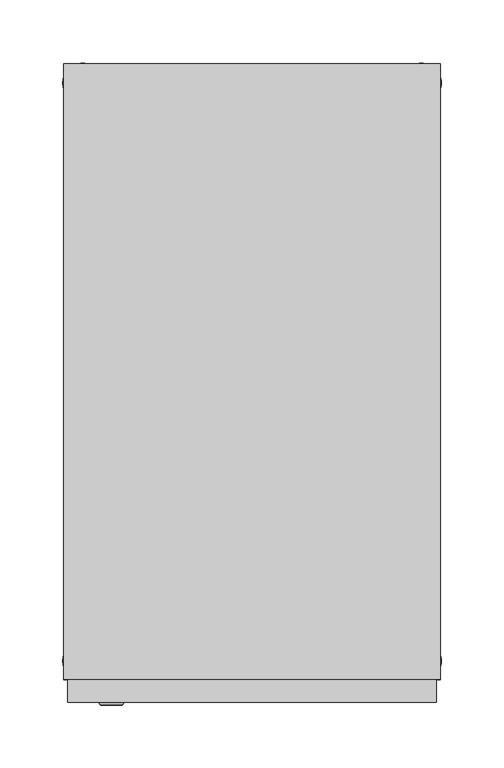
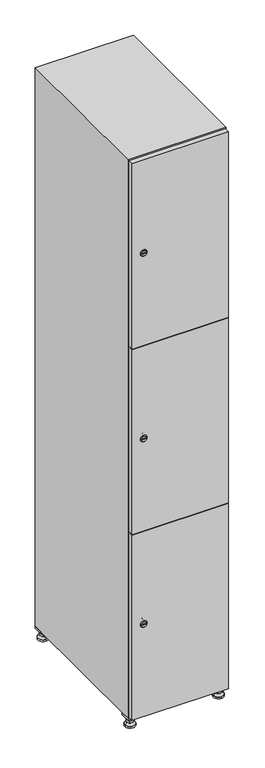
"""IFC4 building model written with IfcOpenShell, lengths in millimetres: furniture geometry."""

import ifcopenshell
import ifcopenshell.guid

model = None  # the IFC model being written
_history = None  # IfcOwnerHistory: only IFC2X3 demands one
_inside = {}  # id of a spatial element -> (the spatial element, [elements in it])
_under = {}  # id of a project, library or spatial element -> (it, [spatial elements below it])
_declared = {}  # id of a project -> (the project, [libraries it declares])
_typed = {}  # id of a type object -> (the type object, [elements of that type])
_made_of = {}  # id of a material, layer set ... -> (it, [elements and type objects made of it])


def new_model(schema):
    """Start an empty IFC model of exactly this schema.

    Asked for "IFC4X3", IfcOpenShell would pick the latest addendum, in which some entities
    have other attributes; the version numbers below select the first issue.
    IFC2X3 requires an IfcOwnerHistory on every rooted entity: one is made here for all.
    """
    global model, _history
    if schema == "IFC4X3":
        model = ifcopenshell.file(schema_version=(4, 3, 0, 0))
    else:
        model = ifcopenshell.file(schema=schema)
    _inside.clear()
    _under.clear()
    _declared.clear()
    _typed.clear()
    _made_of.clear()
    _history = None
    if model.schema == "IFC2X3":
        org = make("IfcOrganization", Name="unknown")
        user = make(
            "IfcPersonAndOrganization",
            ThePerson=make("IfcPerson", FamilyName="unknown"),
            TheOrganization=org,
        )
        app = make(
            "IfcApplication",
            ApplicationDeveloper=org,
            Version="unknown",
            ApplicationFullName="unknown",
            ApplicationIdentifier="unknown",
        )
        _history = make(
            "IfcOwnerHistory",
            OwningUser=user,
            OwningApplication=app,
            ChangeAction="ADDED",
            CreationDate=0,
        )
    return model


def make(cls, **values):
    """One entity of the class cls with the attributes given. An attribute that is None is left unset."""
    return model.create_entity(
        cls, **{name: value for name, value in values.items() if value is not None}
    )


def rooted(cls, **values):
    """An entity with a GlobalId (a new one), such as an element, a storey or a relation."""
    return make(cls, GlobalId=ifcopenshell.guid.new(), OwnerHistory=_history, **values)


def si_unit(unit_type, name, prefix=None):
    """IfcSIUnit, for example si_unit("LENGTHUNIT", "METRE", prefix="MILLI")."""
    return make("IfcSIUnit", UnitType=unit_type, Prefix=prefix, Name=name)


def assignment(units):
    """IfcUnitAssignment: the units of a project."""
    return None if units is None else make("IfcUnitAssignment", Units=units)


def point(xyz):
    """IfcCartesianPoint."""
    return None if xyz is None else make("IfcCartesianPoint", Coordinates=xyz)


def direction(xyz):
    """IfcDirection."""
    return None if xyz is None else make("IfcDirection", DirectionRatios=xyz)


def frame(location, z_axis=None, x_axis=None):
    """IfcAxis2Placement3D, a coordinate frame: its origin and axes. An axis left out is left unset."""
    return make(
        "IfcAxis2Placement3D",
        Location=point(location),
        Axis=direction(z_axis),
        RefDirection=direction(x_axis),
    )


def frame_2d(location, x_axis=None):
    """IfcAxis2Placement2D, a coordinate frame in the plane: its origin and x axis."""
    return make(
        "IfcAxis2Placement2D", Location=point(location), RefDirection=direction(x_axis)
    )


def origin():
    """The frame at (0, 0, 0) with its axes left unset."""
    return frame((0.0, 0.0, 0.0))


def origin_with_axes():
    """The frame at (0, 0, 0) with the z axis (0, 0, 1) and the x axis (1, 0, 0) written out."""
    return frame((0.0, 0.0, 0.0), z_axis=(0.0, 0.0, 1.0), x_axis=(1.0, 0.0, 0.0))


def place(relative_to, where):
    """IfcLocalPlacement: puts the frame where relative to a parent placement (None: the world)."""
    return make(
        "IfcLocalPlacement", PlacementRelTo=relative_to, RelativePlacement=where
    )


def context(
    kind, dimensions, precision=None, world=None, true_north=None, identifier=None
):
    """IfcGeometricRepresentationContext, for example the 3D "Model" context."""
    return make(
        "IfcGeometricRepresentationContext",
        ContextIdentifier=identifier,
        ContextType=kind,
        CoordinateSpaceDimension=dimensions,
        Precision=precision,
        WorldCoordinateSystem=world,
        TrueNorth=true_north,
    )


def project(units=None, contexts=None):
    """IfcProject with its units and contexts."""
    return rooted(
        "IfcProject",
        Name="project",
        RepresentationContexts=contexts,
        UnitsInContext=assignment(units),
    )


def spatial(cls, under=None, at=None, **own):
    """A site, building, storey or space (cls), placed at a placement, below another one or the project."""
    s = rooted(cls, ObjectPlacement=at, **own)
    if under is not None:
        _under.setdefault(under.id(), (under, []))[1].append(s)
    return s


def polyline(points):
    """IfcPolyline through the points."""
    return make("IfcPolyline", Points=[point(p) for p in points])


def circle_curve(where, radius):
    """IfcCircle in the frame where."""
    return make("IfcCircle", Position=where, Radius=radius)


def trimmed(basis, trim1, trim2, sense, master):
    """IfcTrimmedCurve: the piece of a basis curve between two trims."""
    return make(
        "IfcTrimmedCurve",
        BasisCurve=basis,
        Trim1=trim1,
        Trim2=trim2,
        SenseAgreement=sense,
        MasterRepresentation=master,
    )


def segment(curve, same_sense, transition):
    """IfcCompositeCurveSegment."""
    return make(
        "IfcCompositeCurveSegment",
        Transition=transition,
        SameSense=same_sense,
        ParentCurve=curve,
    )


def composite_curve(segments, self_intersect=None):
    """IfcCompositeCurve: segments joined end to end."""
    return make("IfcCompositeCurve", Segments=segments, SelfIntersect=self_intersect)


def outline(outer, holes=None, kind="AREA"):
    """IfcArbitraryClosedProfileDef: a profile drawn as a closed curve; with holes, ...WithVoids."""
    if holes is None:
        return make("IfcArbitraryClosedProfileDef", ProfileType=kind, OuterCurve=outer)
    return make(
        "IfcArbitraryProfileDefWithVoids",
        ProfileType=kind,
        OuterCurve=outer,
        InnerCurves=holes,
    )


def extrude(swept, where, along, depth):
    """IfcExtrudedAreaSolid: the profile swept, set in the frame where, extruded along a direction by depth."""
    return make(
        "IfcExtrudedAreaSolid",
        SweptArea=swept,
        Position=where,
        ExtrudedDirection=direction(along),
        Depth=depth,
    )


def faces_of(points, faces, orient=None, outer=None):
    """IfcFace entities. A face is a list of loops; a loop is a list of indices into points, from 0.

    orient and outer hold one flag for each loop. By default every Orientation is true, the
    first loop of a face is its IfcFaceOuterBound and the others are IfcFaceBound.
    """
    made = []
    for i, loops in enumerate(faces):
        bounds = []
        for j, loop in enumerate(loops):
            is_outer = j == 0 if outer is None else outer[i][j]
            bounds.append(
                make(
                    "IfcFaceOuterBound" if is_outer else "IfcFaceBound",
                    Bound=make("IfcPolyLoop", Polygon=[points[k] for k in loop]),
                    Orientation=True if orient is None else orient[i][j],
                )
            )
        made.append(make("IfcFace", Bounds=bounds))
    return made


def faceted_brep(points, faces, orient=None, outer=None, voids=None):
    """IfcFacetedBrep: a solid bounded by flat faces; with voids (closed shells), ...WithVoids."""
    shared = [point(p) for p in points]
    hull = make("IfcClosedShell", CfsFaces=faces_of(shared, faces, orient, outer))
    if voids is None:
        return make("IfcFacetedBrep", Outer=hull)
    return make(
        "IfcFacetedBrepWithVoids",
        Outer=hull,
        Voids=[
            make(cls, CfsFaces=faces_of(shared, fs, o, b)) for cls, fs, o, b in voids
        ],
    )


def shape(context_of_items, identifier, shape_type, items):
    """IfcShapeRepresentation: the items that make up one representation, for example the "Body"."""
    return make(
        "IfcShapeRepresentation",
        ContextOfItems=context_of_items,
        RepresentationIdentifier=identifier,
        RepresentationType=shape_type,
        Items=items,
    )


def source(mapping_origin, context_of_items, identifier, shape_type, items):
    """IfcRepresentationMap: a shape defined once, which mapped items show again and again."""
    return make(
        "IfcRepresentationMap",
        MappingOrigin=mapping_origin,
        MappedRepresentation=shape(context_of_items, identifier, shape_type, items),
    )


def transform(
    local_origin,
    x_axis=None,
    y_axis=None,
    z_axis=None,
    scale=None,
    scale2=None,
    scale3=None,
    uniform=True,
):
    """IfcCartesianTransformationOperator3D, or its non-uniform kind. x_axis, y_axis, z_axis: its Axis1, 2, 3."""
    if uniform:
        return make(
            "IfcCartesianTransformationOperator3D",
            Axis1=direction(x_axis),
            Axis2=direction(y_axis),
            LocalOrigin=point(local_origin),
            Scale=scale,
            Axis3=direction(z_axis),
        )
    return make(
        "IfcCartesianTransformationOperator3DnonUniform",
        Axis1=direction(x_axis),
        Axis2=direction(y_axis),
        LocalOrigin=point(local_origin),
        Scale=scale,
        Axis3=direction(z_axis),
        Scale2=scale2,
        Scale3=scale3,
    )


def mapped(mapping_source, mapping_target):
    """IfcMappedItem: shows the shape of a source again, moved by a transform."""
    return make(
        "IfcMappedItem", MappingSource=mapping_source, MappingTarget=mapping_target
    )


def made_of(thing, what):
    """Note that an element or type object is made of a material, layer set ...; save() writes the relation."""
    if what is not None:
        _made_of.setdefault(what.id(), (what, []))[1].append(thing)
    return thing


def element(
    cls,
    number,
    at=None,
    inside=None,
    cuts=None,
    type_object=None,
    material=None,
    context=None,
    identifier="Body",
    shape_type=None,
    held_by="IfcProductDefinitionShape",
    body=None,
    shapes=None,
    **own,
):
    """One element of the class cls, such as IfcWall. Its Tag is "e" and its number.

    at: its placement. inside: the storey or other place that contains it. cuts: it is an
    opening in that element (IfcRelVoidsElement). A single representation is given by context,
    identifier, shape_type and body (its items); several are given by shapes. held_by: the class
    of the entity that holds the representations. save() writes the other relations.
    """
    e = rooted(cls, Tag="e%d" % number, ObjectPlacement=at, **own)
    if body is not None:
        shapes = [shape(context, identifier, shape_type, body)]
    if shapes is not None:
        e.Representation = make(held_by, Representations=shapes)
    if inside is not None:
        _inside.setdefault(inside.id(), (inside, []))[1].append(e)
    if cuts is not None:
        rooted(
            "IfcRelVoidsElement", RelatingBuildingElement=cuts, RelatedOpeningElement=e
        )
    if type_object is not None:
        _typed.setdefault(type_object.id(), (type_object, []))[1].append(e)
    return made_of(e, material)


def aggregate(whole, parts):
    """IfcRelAggregates: a whole, such as a stair, and the parts it consists of."""
    return rooted("IfcRelAggregates", RelatingObject=whole, RelatedObjects=parts)


def save(model, path):
    """Write the relations noted so far, then the file.

    IfcRelAggregates (storeys below a building ...), IfcRelContainedInSpatialStructure (elements
    in a storey), IfcRelDefinesByType, IfcRelAssociatesMaterial and IfcRelDeclares: one each for
    every whole, place, type object, material and project.
    """
    for whole, parts in _under.values():
        aggregate(whole, parts)
    for where, things in _inside.values():
        rooted(
            "IfcRelContainedInSpatialStructure",
            RelatedElements=things,
            RelatingStructure=where,
        )
    for kind, things in _typed.values():
        rooted("IfcRelDefinesByType", RelatedObjects=things, RelatingType=kind)
    for what, things in _made_of.values():
        rooted("IfcRelAssociatesMaterial", RelatedObjects=things, RelatingMaterial=what)
    for by, libraries in _declared.values():
        rooted("IfcRelDeclares", RelatingContext=by, RelatedDefinitions=libraries)
    model.write(path)


def plane_surface(at):
    """IfcPlane: the flat surface through the origin of the frame at, square to its z axis."""
    return make("IfcPlane", Position=at)


def revolved_surface(curve, axis_point, axis_direction):
    """IfcSurfaceOfRevolution: the curve turned about the line through axis_point along axis_direction."""
    return make(
        "IfcSurfaceOfRevolution",
        SweptCurve=make("IfcArbitraryOpenProfileDef", ProfileType="CURVE", Curve=curve),
        AxisPosition=make("IfcAxis1Placement", Location=point(axis_point), Axis=direction(axis_direction)),
    )


def advanced_brep(points, edges, surfaces, faces):
    """IfcAdvancedBrep: a solid bounded by faces that lie on surfaces and meet in shared edges.

    An edge is (start, end): straight between two places in points (the first is 0);
    or (start, end, curve); or (start, end, curve, False) where it runs against its curve.
    A face is (place in surfaces, loops), or (place, loops, False) where it looks against
    its surface's normal. A loop lists edges by number (the first is 1), with a minus sign
    where the edge is run from its end to its start. The first loop is the outer one.
    """
    corners = [point(p) for p in points]
    vertices = [make("IfcVertexPoint", VertexGeometry=c) for c in corners]
    made = []
    for start, end, *more in edges:
        made.append(
            make(
                "IfcEdgeCurve",
                EdgeStart=vertices[start],
                EdgeEnd=vertices[end],
                EdgeGeometry=more[0] if more else make("IfcPolyline", Points=[corners[start], corners[end]]),
                SameSense=more[1] if len(more) > 1 else True,
            )
        )
    hull = []
    for where, loops, *sense in faces:
        bounds = []
        for j, loop in enumerate(loops):
            ring = [make("IfcOrientedEdge", EdgeElement=made[abs(k) - 1], Orientation=k > 0) for k in loop]
            bounds.append(
                make(
                    "IfcFaceOuterBound" if j == 0 else "IfcFaceBound",
                    Bound=make("IfcEdgeLoop", EdgeList=ring),
                    Orientation=True,
                )
            )
        hull.append(make("IfcAdvancedFace", Bounds=bounds, FaceSurface=surfaces[where], SameSense=sense[0] if sense else True))
    return make("IfcAdvancedBrep", Outer=make("IfcClosedShell", CfsFaces=hull))


def furniture_ab29d9bd(model_context):
    return source(origin(), model_context, "Body", "SolidModel", [
        extrude(outline(polyline([(100.0, 245.0), (100.0, 215.0), (70.0, 215.0), (70.0, 245.0), (100.0, 245.0)]), holes=[polyline([(98.0, 243.0), (72.0, 243.0), (72.0, 217.0), (98.0, 217.0), (98.0, 243.0)])]), frame((0.0, 0.0, 28.5), z_axis=(0.0, 0.0, 1.0), x_axis=(1.0, 0.0, 0.0)), (0.0, 0.0, 1.0), 6.5),
        extrude(outline(polyline([(70.0, -245.0), (70.0, -215.0), (100.0, -215.0), (100.0, -245.0), (70.0, -245.0)]), holes=[polyline([(72.0, -243.0), (98.0, -243.0), (98.0, -217.0), (72.0, -217.0), (72.0, -243.0)])]), frame((0.0, 0.0, 28.5), z_axis=(0.0, 0.0, 1.0), x_axis=(1.0, 0.0, 0.0)), (0.0, 0.0, 1.0), 6.5),
        extrude(outline(polyline([(-170.0, 245.0), (-170.0, 215.0), (-200.0, 215.0), (-200.0, 245.0), (-170.0, 245.0)]), holes=[polyline([(-172.0, 243.0), (-198.0, 243.0), (-198.0, 217.0), (-172.0, 217.0), (-172.0, 243.0)])]), frame((0.0, 0.0, 28.5), z_axis=(0.0, 0.0, 1.0), x_axis=(1.0, 0.0, 0.0)), (0.0, 0.0, 1.0), 6.5),
        extrude(outline(polyline([(-170.0, -215.0), (-170.0, -245.0), (-200.0, -245.0), (-200.0, -215.0), (-170.0, -215.0)]), holes=[polyline([(-198.0, -243.0), (-172.0, -243.0), (-172.0, -217.0), (-198.0, -217.0), (-198.0, -243.0)])]), frame((0.0, 0.0, 28.5), z_axis=(0.0, 0.0, 1.0), x_axis=(1.0, 0.0, 0.0)), (0.0, 0.0, 1.0), 6.5),
        extrude(outline(composite_curve([segment(trimmed(circle_curve(frame_2d((-185.0, 230.0)), 5.0), [point((-180.0, 230.0))], [point((-190.0, 230.0))], False, "CARTESIAN"), True, "CONTINUOUS"), segment(trimmed(circle_curve(frame_2d((-185.0, 230.0)), 5.0), [point((-190.0, 230.0))], [point((-180.0, 230.0))], False, "CARTESIAN"), True, "CONTINUOUS")], self_intersect=False)), frame((0.0, 0.0, 19.6), z_axis=(0.0, 0.0, 1.0), x_axis=(1.0, 0.0, 0.0)), (0.0, 0.0, 1.0), 15.4),
        extrude(outline(composite_curve([segment(trimmed(circle_curve(frame_2d((-185.0, -230.0)), 5.0), [point((-180.0, -230.0))], [point((-190.0, -230.0))], False, "CARTESIAN"), True, "CONTINUOUS"), segment(trimmed(circle_curve(frame_2d((-185.0, -230.0)), 5.0), [point((-190.0, -230.0))], [point((-180.0, -230.0))], False, "CARTESIAN"), True, "CONTINUOUS")], self_intersect=False)), frame((0.0, 0.0, 19.6), z_axis=(0.0, 0.0, 1.0), x_axis=(1.0, 0.0, 0.0)), (0.0, 0.0, 1.0), 15.4),
        extrude(outline(composite_curve([segment(trimmed(circle_curve(frame_2d((85.0, 230.0)), 5.0), [point((90.0, 230.0))], [point((80.0, 230.0))], False, "CARTESIAN"), True, "CONTINUOUS"), segment(trimmed(circle_curve(frame_2d((85.0, 230.0)), 5.0), [point((80.0, 230.0))], [point((90.0, 230.0))], False, "CARTESIAN"), True, "CONTINUOUS")], self_intersect=False)), frame((0.0, 0.0, 19.6), z_axis=(0.0, 0.0, 1.0), x_axis=(1.0, 0.0, 0.0)), (0.0, 0.0, 1.0), 15.4),
        extrude(outline(polyline([(73.4529946, 230.0), (79.2264973, 240.0), (90.7735027, 240.0), (96.5470054, 230.0), (90.7735027, 220.0), (79.2264973, 220.0), (73.4529946, 230.0)])), frame((0.0, 0.0, 13.6), z_axis=(0.0, 0.0, 1.0), x_axis=(1.0, 0.0, 0.0)), (0.0, 0.0, 1.0), 6.0),
        extrude(outline(composite_curve([segment(trimmed(circle_curve(frame_2d((85.0, -230.0)), 5.0), [point((90.0, -230.0))], [point((80.0, -230.0))], False, "CARTESIAN"), True, "CONTINUOUS"), segment(trimmed(circle_curve(frame_2d((85.0, -230.0)), 5.0), [point((80.0, -230.0))], [point((90.0, -230.0))], False, "CARTESIAN"), True, "CONTINUOUS")], self_intersect=False)), frame((0.0, 0.0, 19.6), z_axis=(0.0, 0.0, 1.0), x_axis=(1.0, 0.0, 0.0)), (0.0, 0.0, 1.0), 15.4),
        extrude(outline(polyline([(73.4529946, -230.0), (79.2264973, -220.0), (90.7735027, -220.0), (96.5470054, -230.0), (90.7735027, -240.0), (79.2264973, -240.0), (73.4529946, -230.0)])), frame((0.0, 0.0, 13.6), z_axis=(0.0, 0.0, 1.0), x_axis=(1.0, 0.0, 0.0)), (0.0, 0.0, 1.0), 6.0),
        extrude(outline(composite_curve([segment(trimmed(circle_curve(frame_2d((85.0, 230.0)), 5.0), [point((90.0, 230.0))], [point((80.0, 230.0))], False, "CARTESIAN"), True, "CONTINUOUS"), segment(trimmed(circle_curve(frame_2d((85.0, 230.0)), 5.0), [point((80.0, 230.0))], [point((90.0, 230.0))], False, "CARTESIAN"), True, "CONTINUOUS")], self_intersect=False)), frame((0.0, 0.0, 12.1), z_axis=(0.0, 0.0, 1.0), x_axis=(1.0, 0.0, 0.0)), (0.0, 0.0, 1.0), 1.5),
        extrude(outline(composite_curve([segment(trimmed(circle_curve(frame_2d((85.0, -230.0)), 5.0), [point((90.0, -230.0))], [point((80.0, -230.0))], False, "CARTESIAN"), True, "CONTINUOUS"), segment(trimmed(circle_curve(frame_2d((85.0, -230.0)), 5.0), [point((80.0, -230.0))], [point((90.0, -230.0))], False, "CARTESIAN"), True, "CONTINUOUS")], self_intersect=False)), frame((0.0, 0.0, 12.1), z_axis=(0.0, 0.0, 1.0), x_axis=(1.0, 0.0, 0.0)), (0.0, 0.0, 1.0), 1.5),
        extrude(outline(polyline([(-196.5470054, 230.0), (-190.7735027, 240.0), (-179.2264973, 240.0), (-173.4529946, 230.0), (-179.2264973, 220.0), (-190.7735027, 220.0), (-196.5470054, 230.0)])), frame((0.0, 0.0, 13.6), z_axis=(0.0, 0.0, 1.0), x_axis=(1.0, 0.0, 0.0)), (0.0, 0.0, 1.0), 6.0),
        extrude(outline(polyline([(-196.5470054, -230.0), (-190.7735027, -220.0), (-179.2264973, -220.0), (-173.4529946, -230.0), (-179.2264973, -240.0), (-190.7735027, -240.0), (-196.5470054, -230.0)])), frame((0.0, 0.0, 13.6), z_axis=(0.0, 0.0, 1.0), x_axis=(1.0, 0.0, 0.0)), (0.0, 0.0, 1.0), 6.0),
        extrude(outline(composite_curve([segment(trimmed(circle_curve(frame_2d((-185.0, 230.0)), 5.0), [point((-185.0, 235.0))], [point((-185.0, 225.0))], False, "CARTESIAN"), True, "CONTINUOUS"), segment(trimmed(circle_curve(frame_2d((-185.0, 230.0)), 5.0), [point((-185.0, 225.0))], [point((-185.0, 235.0))], False, "CARTESIAN"), True, "CONTINUOUS")], self_intersect=False)), frame((0.0, 0.0, 12.1), z_axis=(0.0, 0.0, 1.0), x_axis=(1.0, 0.0, 0.0)), (0.0, 0.0, 1.0), 1.5),
        extrude(outline(composite_curve([segment(trimmed(circle_curve(frame_2d((-185.0, -230.0)), 5.0), [point((-180.0, -230.0))], [point((-190.0, -230.0))], False, "CARTESIAN"), True, "CONTINUOUS"), segment(trimmed(circle_curve(frame_2d((-185.0, -230.0)), 5.0), [point((-190.0, -230.0))], [point((-180.0, -230.0))], False, "CARTESIAN"), True, "CONTINUOUS")], self_intersect=False)), frame((0.0, 0.0, 12.1), z_axis=(0.0, 0.0, 1.0), x_axis=(1.0, 0.0, 0.0)), (0.0, 0.0, 1.0), 1.5),
        extrude(outline(composite_curve([segment(trimmed(circle_curve(frame_2d((85.0, 230.0)), 15.75), [point((100.75, 230.0))], [point((69.25, 230.0))], False, "CARTESIAN"), True, "CONTINUOUS"), segment(trimmed(circle_curve(frame_2d((85.0, 230.0)), 15.75), [point((69.25, 230.0))], [point((100.75, 230.0))], False, "CARTESIAN"), True, "CONTINUOUS")], self_intersect=False)), origin_with_axes(), (0.0, 0.0, 1.0), 5.1),
        extrude(outline(composite_curve([segment(trimmed(circle_curve(frame_2d((85.0, -230.0)), 15.75), [point((85.0, -214.25))], [point((85.0, -245.75))], False, "CARTESIAN"), True, "CONTINUOUS"), segment(trimmed(circle_curve(frame_2d((85.0, -230.0)), 15.75), [point((85.0, -245.75))], [point((85.0, -214.25))], False, "CARTESIAN"), True, "CONTINUOUS")], self_intersect=False)), origin_with_axes(), (0.0, 0.0, 1.0), 5.1),
        extrude(outline(composite_curve([segment(trimmed(circle_curve(frame_2d((-185.0, -230.0)), 15.75), [point((-169.25, -230.0))], [point((-200.75, -230.0))], False, "CARTESIAN"), True, "CONTINUOUS"), segment(trimmed(circle_curve(frame_2d((-185.0, -230.0)), 15.75), [point((-200.75, -230.0))], [point((-169.25, -230.0))], False, "CARTESIAN"), True, "CONTINUOUS")], self_intersect=False)), origin_with_axes(), (0.0, 0.0, 1.0), 5.1),
        extrude(outline(composite_curve([segment(trimmed(circle_curve(frame_2d((-185.0, 230.0)), 15.75), [point((-169.25, 230.0))], [point((-200.75, 230.0))], False, "CARTESIAN"), True, "CONTINUOUS"), segment(trimmed(circle_curve(frame_2d((-185.0, 230.0)), 15.75), [point((-200.75, 230.0))], [point((-169.25, 230.0))], False, "CARTESIAN"), True, "CONTINUOUS")], self_intersect=False)), origin_with_axes(), (0.0, 0.0, 1.0), 5.1),
        advanced_brep(
        [(-185.0, 239.5, 12.1), (-185.0, 220.5, 12.1), (-185.0, 214.25, 5.1), (-185.0, 245.75, 5.1)],
        [
            (0, 1, circle_curve(frame((-185.0, 230.0, 12.1), z_axis=(0.0, 0.0, -1.0), x_axis=(0.0, 1.0, 0.0)), 9.5)),
            (1, 2),
            (2, 3, circle_curve(frame((-185.0, 230.0, 5.1), z_axis=(0.0, 0.0, 1.0), x_axis=(0.0, 1.0, 0.0)), 15.75)),
            (3, 0),
            (1, 0, circle_curve(frame((-185.0, 230.0, 12.1), z_axis=(0.0, 0.0, -1.0), x_axis=(0.0, -1.0, 0.0)), 9.5)),
            (3, 2, circle_curve(frame((-185.0, 230.0, 5.1), z_axis=(0.0, 0.0, 1.0), x_axis=(0.0, -1.0, 0.0)), 15.75)),
        ],
        [
            revolved_surface(polyline([(-185.0, 220.5, 12.099999999999998), (-185.0, 214.25, 5.099999999999998)]), (-185.0, 230.0, 22.74), (0.0, 0.0, -1.0)),
            revolved_surface(polyline([(-185.0, 239.5, 12.099999999999998), (-185.0, 245.75, 5.099999999999998)]), (-185.0, 230.0, 22.74), (0.0, 0.0, -1.0)),
            plane_surface(frame((-185.0, 230.0, 5.1), z_axis=(0.0, 0.0, -1.0), x_axis=(1.0, 0.0, 0.0))),
            plane_surface(frame((-185.0, 230.0, 12.1), z_axis=(0.0, 0.0, 1.0), x_axis=(1.0, 0.0, 0.0))),
        ],
        [
            (0, [[1, 2, 3, 4]]),
            (1, [[5, -4, 6, -2]]),
            (2, [[-3, -6]]),
            (3, [[-5, -1]]),
        ],
    ),
        advanced_brep(
        [(85.0, 239.5, 12.1), (85.0, 220.5, 12.1), (85.0, 214.25, 5.1), (85.0, 245.75, 5.1)],
        [
            (0, 1, circle_curve(frame((85.0, 230.0, 12.1), z_axis=(0.0, 0.0, -1.0), x_axis=(0.0, 1.0, 0.0)), 9.5)),
            (1, 2),
            (2, 3, circle_curve(frame((85.0, 230.0, 5.1), z_axis=(0.0, 0.0, 1.0), x_axis=(0.0, 1.0, 0.0)), 15.75)),
            (3, 0),
            (1, 0, circle_curve(frame((85.0, 230.0, 12.1), z_axis=(0.0, 0.0, -1.0), x_axis=(0.0, -1.0, 0.0)), 9.5)),
            (3, 2, circle_curve(frame((85.0, 230.0, 5.1), z_axis=(0.0, 0.0, 1.0), x_axis=(0.0, -1.0, 0.0)), 15.75)),
        ],
        [
            revolved_surface(polyline([(85.0, 220.5, 12.099999999999998), (85.0, 214.25, 5.099999999999998)]), (85.0, 230.0, 22.74), (0.0, 0.0, -1.0)),
            revolved_surface(polyline([(85.0, 239.5, 12.099999999999998), (85.0, 245.75, 5.099999999999998)]), (85.0, 230.0, 22.74), (0.0, 0.0, -1.0)),
            plane_surface(frame((85.0, 230.0, 5.1), z_axis=(0.0, 0.0, -1.0), x_axis=(1.0, 0.0, 0.0))),
            plane_surface(frame((85.0, 230.0, 12.1), z_axis=(0.0, 0.0, 1.0), x_axis=(1.0, 0.0, 0.0))),
        ],
        [
            (0, [[1, 2, 3, 4]]),
            (1, [[5, -4, 6, -2]]),
            (2, [[-3, -6]]),
            (3, [[-5, -1]]),
        ],
    ),
        advanced_brep(
        [(100.75, -230.0, 5.1), (69.25, -230.0, 5.1), (75.5, -230.0, 12.1), (94.5, -230.0, 12.1)],
        [
            (0, 1, circle_curve(frame((85.0, -230.0, 5.1), z_axis=(0.0, 0.0, 1.0), x_axis=(1.0, 0.0, 0.0)), 15.75)),
            (1, 2),
            (2, 3, circle_curve(frame((85.0, -230.0, 12.1), z_axis=(0.0, 0.0, -1.0), x_axis=(1.0, 0.0, 0.0)), 9.5)),
            (3, 0),
            (1, 0, circle_curve(frame((85.0, -230.0, 5.1), z_axis=(0.0, 0.0, 1.0), x_axis=(-1.0, 0.0, 0.0)), 15.75)),
            (3, 2, circle_curve(frame((85.0, -230.0, 12.1), z_axis=(0.0, 0.0, -1.0), x_axis=(-1.0, 0.0, 0.0)), 9.5)),
        ],
        [
            revolved_surface(polyline([(94.5, -230.0, 12.099999999999998), (100.75, -230.0, 5.099999999999998)]), (85.0, -230.0, 22.74), (0.0, 0.0, -1.0)),
            revolved_surface(polyline([(75.5, -230.0, 12.099999999999998), (69.25, -230.0, 5.099999999999998)]), (85.0, -230.0, 22.74), (0.0, 0.0, -1.0)),
            plane_surface(frame((85.0, -230.0, 12.1), z_axis=(0.0, 0.0, 1.0), x_axis=(0.0, 1.0, 0.0))),
            plane_surface(frame((85.0, -230.0, 5.1), z_axis=(0.0, 0.0, -1.0), x_axis=(0.0, 1.0, 0.0))),
        ],
        [
            (0, [[1, 2, 3, 4]]),
            (1, [[5, -4, 6, -2]]),
            (2, [[-3, -6]]),
            (3, [[-5, -1]]),
        ],
    ),
        advanced_brep(
        [(-169.25, -230.0, 5.1), (-200.75, -230.0, 5.1), (-194.5, -230.0, 12.1), (-175.5, -230.0, 12.1)],
        [
            (0, 1, circle_curve(frame((-185.0, -230.0, 5.1), z_axis=(0.0, 0.0, 1.0), x_axis=(1.0, 0.0, 0.0)), 15.75)),
            (1, 2),
            (2, 3, circle_curve(frame((-185.0, -230.0, 12.1), z_axis=(0.0, 0.0, -1.0), x_axis=(1.0, 0.0, 0.0)), 9.5)),
            (3, 0),
            (1, 0, circle_curve(frame((-185.0, -230.0, 5.1), z_axis=(0.0, 0.0, 1.0), x_axis=(-1.0, 0.0, 0.0)), 15.75)),
            (3, 2, circle_curve(frame((-185.0, -230.0, 12.1), z_axis=(0.0, 0.0, -1.0), x_axis=(-1.0, 0.0, 0.0)), 9.5)),
        ],
        [
            revolved_surface(polyline([(-175.5, -230.0, 12.099999999999998), (-169.25, -230.0, 5.099999999999998)]), (-185.0, -230.0, 22.74), (0.0, 0.0, -1.0)),
            revolved_surface(polyline([(-194.5, -230.0, 12.099999999999998), (-200.75, -230.0, 5.099999999999998)]), (-185.0, -230.0, 22.74), (0.0, 0.0, -1.0)),
            plane_surface(frame((-185.0, -230.0, 12.1), z_axis=(0.0, 0.0, 1.0), x_axis=(0.0, 1.0, 0.0))),
            plane_surface(frame((-185.0, -230.0, 5.1), z_axis=(0.0, 0.0, -1.0), x_axis=(0.0, 1.0, 0.0))),
        ],
        [
            (0, [[1, 2, 3, 4]]),
            (1, [[5, -4, 6, -2]]),
            (2, [[-3, -6]]),
            (3, [[-5, -1]]),
        ],
    ),
        extrude(outline(composite_curve([segment(trimmed(circle_curve(frame_2d((337.0, -188.7989466)), 7.0), [point((344.0, -188.7989466))], [point((330.0, -188.7989466))], False, "CARTESIAN"), True, "CONTINUOUS"), segment(polyline([(330.0, -188.7989466), (330.0, -160.7989466)]), True, "CONTINUOUS"), segment(trimmed(circle_curve(frame_2d((337.0, -160.7989466)), 7.0), [point((330.0, -160.7989466))], [point((344.0, -160.7989466))], False, "CARTESIAN"), True, "CONTINUOUS"), segment(polyline([(344.0, -160.7989466), (344.0, -188.7989466)]), True, "CONTINUOUS")], self_intersect=False)), frame((0.0, -245.0, 0.0), z_axis=(0.0, 1.0, 0.0), x_axis=(0.0, 0.0, 1.0)), (0.0, 0.0, 1.0), 2.0),
        advanced_brep(
        [(-153.5, -265.2, 337.0), (-170.5, -265.2, 337.0), (-167.0, -265.2, 335.75), (-167.0, -265.2, 338.25), (-157.0, -265.2, 338.25), (-157.0, -265.2, 335.75), (-151.5, -263.0, 337.0), (-172.5, -263.0, 337.0), (-167.0, -263.0, 338.25), (-167.0, -263.0, 335.75), (-157.0, -263.0, 335.75), (-157.0, -263.0, 338.25)],
        [
            (0, 1, circle_curve(frame((-162.0, -265.2, 337.0), z_axis=(0.0, -1.0, 0.0), x_axis=(1.0, 0.0, 0.0)), 8.5)),
            (1, 0, circle_curve(frame((-162.0, -265.2, 337.0), z_axis=(0.0, -1.0, 0.0), x_axis=(-1.0, 0.0, 0.0)), 8.5)),
            (2, 3),
            (3, 4),
            (4, 5),
            (5, 2),
            (6, 7, circle_curve(frame((-162.0, -263.0, 337.0), z_axis=(0.0, 1.0, 0.0), x_axis=(-1.0, 0.0, 0.0)), 10.5)),
            (7, 6, circle_curve(frame((-162.0, -263.0, 337.0), z_axis=(0.0, 1.0, 0.0), x_axis=(1.0, 0.0, 0.0)), 10.5)),
            (8, 9),
            (9, 10),
            (10, 11),
            (11, 8),
            (0, 6),
            (7, 1),
            (8, 3),
            (2, 9),
            (11, 4),
            (10, 5),
        ],
        [
            plane_surface(frame((-162.0, -265.2, 337.0), z_axis=(0.0, -1.0, 0.0), x_axis=(0.0, 0.0, 1.0))),
            plane_surface(frame((-162.0, -263.0, 337.0), z_axis=(0.0, 1.0, 0.0), x_axis=(0.0, 0.0, 1.0))),
            revolved_surface(polyline([(-153.5, -265.2, 337.0), (-151.5, -263.0, 337.0)]), (-162.0, -274.55, 337.0), (0.0, 1.0, 0.0)),
            revolved_surface(polyline([(-170.5, -265.2, 337.0), (-172.5, -263.0, 337.0)]), (-162.0, -274.55, 337.0), (0.0, 1.0, 0.0)),
            plane_surface(frame((-167.0, -263.0, 335.75), z_axis=(1.0, 0.0, 0.0), x_axis=(0.0, -1.0, 0.0))),
            plane_surface(frame((-167.0, -263.0, 338.25), z_axis=(0.0, 0.0, -1.0), x_axis=(0.0, -1.0, 0.0))),
            plane_surface(frame((-157.0, -263.0, 338.25), z_axis=(-1.0, 0.0, 0.0), x_axis=(0.0, -1.0, 0.0))),
            plane_surface(frame((-157.0, -263.0, 335.75), z_axis=(0.0, 0.0, 1.0), x_axis=(0.0, -1.0, 0.0))),
        ],
        [
            (0, [[1, 2], [3, 4, 5, 6]]),
            (1, [[7, 8], [9, 10, 11, 12]]),
            (2, [[-1, 13, -8, 14]]),
            (3, [[-2, -14, -7, -13]]),
            (4, [[15, -3, 16, -9]]),
            (5, [[-15, -12, 17, -4]]),
            (6, [[-17, -11, 18, -5]]),
            (7, [[-16, -6, -18, -10]]),
        ],
    ),
        extrude(outline(composite_curve([segment(trimmed(circle_curve(frame_2d((935.0, -188.7989466)), 7.0), [point((942.0, -188.7989466))], [point((928.0, -188.7989466))], False, "CARTESIAN"), True, "CONTINUOUS"), segment(polyline([(928.0, -188.7989466), (928.0, -160.7989466)]), True, "CONTINUOUS"), segment(trimmed(circle_curve(frame_2d((935.0, -160.7989466)), 7.0), [point((928.0, -160.7989466))], [point((942.0, -160.7989466))], False, "CARTESIAN"), True, "CONTINUOUS"), segment(polyline([(942.0, -160.7989466), (942.0, -188.7989466)]), True, "CONTINUOUS")], self_intersect=False)), frame((0.0, -245.0, 0.0), z_axis=(0.0, 1.0, 0.0), x_axis=(0.0, 0.0, 1.0)), (0.0, 0.0, 1.0), 2.0),
        advanced_brep(
        [(-153.5, -265.2, 935.0), (-170.5, -265.2, 935.0), (-167.0, -265.2, 933.75), (-167.0, -265.2, 936.25), (-157.0, -265.2, 936.25), (-157.0, -265.2, 933.75), (-151.5, -263.0, 935.0), (-172.5, -263.0, 935.0), (-167.0, -263.0, 936.25), (-167.0, -263.0, 933.75), (-157.0, -263.0, 933.75), (-157.0, -263.0, 936.25)],
        [
            (0, 1, circle_curve(frame((-162.0, -265.2, 935.0), z_axis=(0.0, -1.0, 0.0), x_axis=(1.0, 0.0, 0.0)), 8.5)),
            (1, 0, circle_curve(frame((-162.0, -265.2, 935.0), z_axis=(0.0, -1.0, 0.0), x_axis=(-1.0, 0.0, 0.0)), 8.5)),
            (2, 3),
            (3, 4),
            (4, 5),
            (5, 2),
            (6, 7, circle_curve(frame((-162.0, -263.0, 935.0), z_axis=(0.0, 1.0, 0.0), x_axis=(-1.0, 0.0, 0.0)), 10.5)),
            (7, 6, circle_curve(frame((-162.0, -263.0, 935.0), z_axis=(0.0, 1.0, 0.0), x_axis=(1.0, 0.0, 0.0)), 10.5)),
            (8, 9),
            (9, 10),
            (10, 11),
            (11, 8),
            (0, 6),
            (7, 1),
            (8, 3),
            (2, 9),
            (11, 4),
            (10, 5),
        ],
        [
            plane_surface(frame((-162.0, -265.2, 935.0), z_axis=(0.0, -1.0, 0.0), x_axis=(0.0, 0.0, 1.0))),
            plane_surface(frame((-162.0, -263.0, 935.0), z_axis=(0.0, 1.0, 0.0), x_axis=(0.0, 0.0, 1.0))),
            revolved_surface(polyline([(-153.5, -265.2, 935.0), (-151.5, -263.0, 935.0)]), (-162.0, -274.55, 935.0), (0.0, 1.0, 0.0)),
            revolved_surface(polyline([(-170.5, -265.2, 935.0), (-172.5, -263.0, 935.0)]), (-162.0, -274.55, 935.0), (0.0, 1.0, 0.0)),
            plane_surface(frame((-167.0, -263.0, 933.75), z_axis=(1.0, 0.0, 0.0), x_axis=(0.0, -1.0, 0.0))),
            plane_surface(frame((-167.0, -263.0, 936.25), z_axis=(0.0, 0.0, -1.0), x_axis=(0.0, -1.0, 0.0))),
            plane_surface(frame((-157.0, -263.0, 936.25), z_axis=(-1.0, 0.0, 0.0), x_axis=(0.0, -1.0, 0.0))),
            plane_surface(frame((-157.0, -263.0, 933.75), z_axis=(0.0, 0.0, 1.0), x_axis=(0.0, -1.0, 0.0))),
        ],
        [
            (0, [[1, 2], [3, 4, 5, 6]]),
            (1, [[7, 8], [9, 10, 11, 12]]),
            (2, [[-1, 13, -8, 14]]),
            (3, [[-2, -14, -7, -13]]),
            (4, [[15, -3, 16, -9]]),
            (5, [[-15, -12, 17, -4]]),
            (6, [[-17, -11, 18, -5]]),
            (7, [[-16, -6, -18, -10]]),
        ],
    ),
        extrude(outline(composite_curve([segment(trimmed(circle_curve(frame_2d((1533.0, -188.7989466)), 7.0), [point((1540.0, -188.7989466))], [point((1526.0, -188.7989466))], False, "CARTESIAN"), True, "CONTINUOUS"), segment(polyline([(1526.0, -188.7989466), (1526.0, -160.7989466)]), True, "CONTINUOUS"), segment(trimmed(circle_curve(frame_2d((1533.0, -160.7989466)), 7.0), [point((1526.0, -160.7989466))], [point((1540.0, -160.7989466))], False, "CARTESIAN"), True, "CONTINUOUS"), segment(polyline([(1540.0, -160.7989466), (1540.0, -188.7989466)]), True, "CONTINUOUS")], self_intersect=False)), frame((0.0, -245.0, 0.0), z_axis=(0.0, 1.0, 0.0), x_axis=(0.0, 0.0, 1.0)), (0.0, 0.0, 1.0), 2.0),
        advanced_brep(
        [(-153.5, -265.2, 1533.0), (-170.5, -265.2, 1533.0), (-167.0, -265.2, 1531.75), (-167.0, -265.2, 1534.25), (-157.0, -265.2, 1534.25), (-157.0, -265.2, 1531.75), (-151.5, -263.0, 1533.0), (-172.5, -263.0, 1533.0), (-167.0, -263.0, 1534.25), (-167.0, -263.0, 1531.75), (-157.0, -263.0, 1531.75), (-157.0, -263.0, 1534.25)],
        [
            (0, 1, circle_curve(frame((-162.0, -265.2, 1533.0), z_axis=(0.0, -1.0, 0.0), x_axis=(1.0, 0.0, 0.0)), 8.5)),
            (1, 0, circle_curve(frame((-162.0, -265.2, 1533.0), z_axis=(0.0, -1.0, 0.0), x_axis=(-1.0, 0.0, 0.0)), 8.5)),
            (2, 3),
            (3, 4),
            (4, 5),
            (5, 2),
            (6, 7, circle_curve(frame((-162.0, -263.0, 1533.0), z_axis=(0.0, 1.0, 0.0), x_axis=(-1.0, 0.0, 0.0)), 10.5)),
            (7, 6, circle_curve(frame((-162.0, -263.0, 1533.0), z_axis=(0.0, 1.0, 0.0), x_axis=(1.0, 0.0, 0.0)), 10.5)),
            (8, 9),
            (9, 10),
            (10, 11),
            (11, 8),
            (0, 6),
            (7, 1),
            (8, 3),
            (2, 9),
            (11, 4),
            (10, 5),
        ],
        [
            plane_surface(frame((-162.0, -265.2, 1533.0), z_axis=(0.0, -1.0, 0.0), x_axis=(0.0, 0.0, 1.0))),
            plane_surface(frame((-162.0, -263.0, 1533.0), z_axis=(0.0, 1.0, 0.0), x_axis=(0.0, 0.0, 1.0))),
            revolved_surface(polyline([(-153.5, -265.2, 1533.0), (-151.5, -263.0, 1533.0)]), (-162.0, -274.55, 1533.0), (0.0, 1.0, 0.0)),
            revolved_surface(polyline([(-170.5, -265.2, 1533.0), (-172.5, -263.0, 1533.0)]), (-162.0, -274.55, 1533.0), (0.0, 1.0, 0.0)),
            plane_surface(frame((-167.0, -263.0, 1531.75), z_axis=(1.0, 0.0, 0.0), x_axis=(0.0, -1.0, 0.0))),
            plane_surface(frame((-167.0, -263.0, 1534.25), z_axis=(0.0, 0.0, -1.0), x_axis=(0.0, -1.0, 0.0))),
            plane_surface(frame((-157.0, -263.0, 1534.25), z_axis=(-1.0, 0.0, 0.0), x_axis=(0.0, -1.0, 0.0))),
            plane_surface(frame((-157.0, -263.0, 1531.75), z_axis=(0.0, 0.0, 1.0), x_axis=(0.0, -1.0, 0.0))),
        ],
        [
            (0, [[1, 2], [3, 4, 5, 6]]),
            (1, [[7, 8], [9, 10, 11, 12]]),
            (2, [[-1, 13, -8, 14]]),
            (3, [[-2, -14, -7, -13]]),
            (4, [[15, -3, 16, -9]]),
            (5, [[-15, -12, 17, -4]]),
            (6, [[-17, -11, 18, -5]]),
            (7, [[-16, -6, -18, -10]]),
        ],
    ),
        extrude(outline(polyline([(97.0, -245.0), (97.0, -263.0), (-197.0, -263.0), (-197.0, -245.0), (97.0, -245.0)])), frame((0.0, 0.0, 636.5), z_axis=(0.0, 0.0, 1.0), x_axis=(1.0, 0.0, 0.0)), (0.0, 0.0, 1.0), 597.0),
        extrude(outline(polyline([(-197.0, -263.0), (-197.0, -245.0), (97.0, -245.0), (97.0, -263.0), (-197.0, -263.0)])), frame((0.0, 0.0, 1234.5), z_axis=(0.0, 0.0, 1.0), x_axis=(1.0, 0.0, 0.0)), (0.0, 0.0, 1.0), 597.5),
        extrude(outline(polyline([(97.0, -245.0), (97.0, -263.0), (-197.0, -263.0), (-197.0, -245.0), (97.0, -245.0)])), frame((0.0, 0.0, 38.0), z_axis=(0.0, 0.0, 1.0), x_axis=(1.0, 0.0, 0.0)), (0.0, 0.0, 1.0), 597.5),
        extrude(outline(polyline([(79.6, 242.0), (79.6, -227.0), (-179.6, -227.0), (-179.6, 242.0), (79.6, 242.0)])), frame((0.0, 0.0, 1214.7333333), z_axis=(0.0, 0.0, 1.0), x_axis=(1.0, 0.0, 0.0)), (0.0, 0.0, 1.0), 20.4),
        extrude(outline(polyline([(-179.6, 242.0), (79.6, 242.0), (79.6, -227.0), (-179.6, -227.0), (-179.6, 242.0)])), frame((0.0, 0.0, 634.8666667), z_axis=(0.0, 0.0, 1.0), x_axis=(1.0, 0.0, 0.0)), (0.0, 0.0, 1.0), 20.4),
        faceted_brep([(100.0, -245.0, 35.0), (100.0, -245.0, 1835.0), (-200.0, -245.0, 1835.0), (-200.0, -245.0, 35.0), (79.6, -245.0, 1804.8), (79.6, -245.0, 65.2), (-179.6, -245.0, 65.2), (-179.6, -245.0, 1804.8), (100.0, 245.0, 35.0), (-200.0, 245.0, 35.0), (100.0, 245.0, 1835.0), (-200.0, 245.0, 1835.0), (79.6, 242.0, 1804.8), (79.6, 242.0, 65.2), (-200.0, 245.0, 1804.8), (-179.6, 242.0, 1804.8), (-179.6, 242.0, 65.2)], [[[0, 1, 2, 3], [4, 5, 6, 7]], [[8, 0, 3, 9]], [[1, 0, 8, 10]], [[1, 10, 11, 2]], [[4, 12, 13, 5]], [[9, 3, 2, 11, 14]], [[10, 8, 9, 14, 11]], [[12, 15, 16, 13]], [[15, 7, 6, 16]], [[4, 7, 15, 12]], [[6, 5, 13, 16]]]),
    ])


if __name__ == "__main__":
    model = new_model("IFC4")
    model_context = context("Model", 3, world=origin())
    ifc_project = project(units=[si_unit("LENGTHUNIT", "METRE", prefix="MILLI")], contexts=[model_context])
    site = spatial("IfcSite", under=ifc_project)
    building = spatial("IfcBuilding", under=site)
    placement = place(None, origin())
    furniture_shape = furniture_ab29d9bd(model_context)
    element("IfcFurniture", 1, at=placement, inside=building, context=model_context, shape_type="MappedRepresentation", body=[
        mapped(furniture_shape, transform((0.0, 0.0, 0.0), x_axis=(1.0, 0.0, 0.0), y_axis=(0.0, 1.0, 0.0), z_axis=(0.0, 0.0, 1.0))),
    ])
    save(model, "model.ifc")
